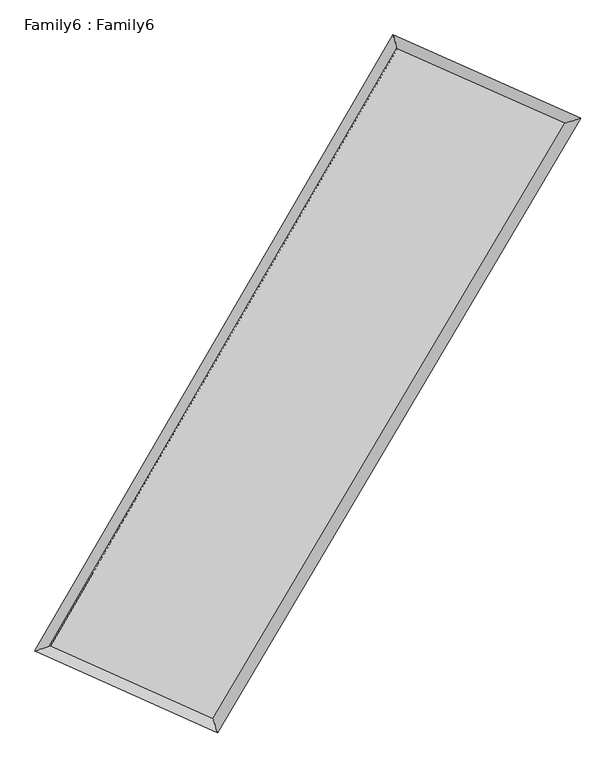
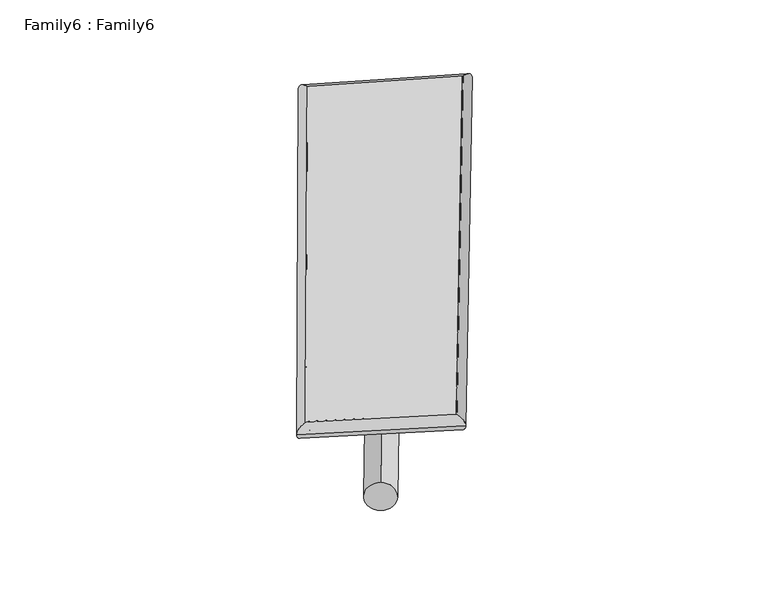
"""IFC4 building model written with IfcOpenShell, lengths in millimetres: plate geometry, Family6 : Family6."""

from ifc_helpers import new_model, si_unit, point, frame, origin, origin_2d, place, context, project, spatial, circle_curve, ellipse_curve, trimmed, segment, composite_curve, outline, extrude, source, transform, mapped, element, save
from ifc_brep_helpers import plane_surface, cylinder_surface, spline_surface, advanced_brep


def family6_family6_9ff4a365(model_context):
    return source(origin(), model_context, "Body", "SolidModel", [
        extrude(outline(composite_curve([segment(trimmed(circle_curve(origin_2d(), 76.2), [point((-75.4341515, -10.7763074))], [point((75.4341515, 10.7763074))], False, "CARTESIAN"), True, "CONTINUOUS"), segment(trimmed(circle_curve(origin_2d(), 76.2), [point((75.4341515, 10.7763074))], [point((-75.4341515, -10.7763074))], False, "CARTESIAN"), True, "CONTINUOUS")], self_intersect=False)), frame((9144.0, 9144.0, 0.0), z_axis=(0.6798410527244304, 0.6837987690654933, 0.26501959636044753), x_axis=(-0.6753554654765511, 0.7246189960133174, -0.13719440902457797)), (0.0, 0.0, 1.0), 5787.4783899),
        extrude(outline(composite_curve([segment(trimmed(circle_curve(origin_2d(), 76.2), [point((-53.8815367, 53.8815367))], [point((53.8815367, -53.8815367))], False, "CARTESIAN"), True, "CONTINUOUS"), segment(trimmed(circle_curve(origin_2d(), 76.2), [point((53.8815367, -53.8815367))], [point((-53.8815367, 53.8815367))], False, "CARTESIAN"), True, "CONTINUOUS")], self_intersect=False)), frame((9144.0, 9144.0, 0.0), z_axis=(-0.6752246107974128, -0.6880278982486887, 0.2658746625855398), x_axis=(0.6374049002393298, -0.3628742928765306, 0.6797332129006556)), (0.0, 0.0, 1.0), 5769.0928595),
        extrude(outline(composite_curve([segment(trimmed(circle_curve(origin_2d(), 76.2), [point((-53.8815367, -53.8815367))], [point((53.8815367, 53.8815367))], False, "CARTESIAN"), True, "CONTINUOUS"), segment(trimmed(circle_curve(origin_2d(), 76.2), [point((53.8815367, 53.8815367))], [point((-53.8815367, -53.8815367))], False, "CARTESIAN"), True, "CONTINUOUS")], self_intersect=False)), frame((9144.0, 9144.0, 0.0), z_axis=(0.25026286194745945, 0.928140135563893, 0.2755438053836545), x_axis=(-0.8446679126763231, 0.3484029878156584, -0.4063883307578425)), (0.0, 0.0, 1.0), 5488.0451058),
        extrude(outline(composite_curve([segment(trimmed(circle_curve(origin_2d(), 76.2), [point((-75.4341514, 10.7763073))], [point((75.4341514, -10.7763073))], False, "CARTESIAN"), True, "CONTINUOUS"), segment(trimmed(circle_curve(origin_2d(), 76.2), [point((75.4341514, -10.7763073))], [point((-75.4341514, 10.7763073))], False, "CARTESIAN"), True, "CONTINUOUS")], self_intersect=False)), frame((9144.0, 9144.0, 0.0), z_axis=(-0.2571561466891146, -0.9262289196872846, 0.2756278370465008), x_axis=(0.8833934719237707, -0.10968083772521993, 0.45561616257367366)), (0.0, 0.0, 1.0), 5484.9366413),
        advanced_brep(
        [(5031.6444596, 5104.7786544, 1532.3860084), (5031.6312192, 5104.757442, 1535.9585772), (5465.488579, 5244.6276758, 1535.3252265), (10580.5307587, 14042.9715605, 1514.2988521), (10454.3769906, 14432.3782964, 1510.0948131), (5465.5018194, 5244.6488881, 1531.7526577), (12860.2004736, 13031.6252865, 1533.5237525), (13296.9303289, 13171.3159115, 1534.0666212), (7671.5659642, 4258.3267389, 1512.1734137), (7795.4636928, 3869.0593814, 1511.4290319)],
        [
            (0, 1, ellipse_curve(frame((5248.5665193, 5174.7031651, 1533.8556174), z_axis=(-0.30682726532809335, 0.9517545131809326, 0.004513966217199974), x_axis=(-0.9517324968580781, -0.30685259277514976, 0.006836719348943507)), 227.9432341, 152.4)),
            (1, 2, ellipse_curve(frame((5248.5665193, 5174.7031651, 1533.8556174), z_axis=(-0.30682726532809335, 0.9517545131809326, 0.004513966217199974), x_axis=(-0.9517324968580781, -0.30685259277514976, 0.006836719348943507)), 227.9432341, 152.4)),
            (2, 3),
            (3, 4, ellipse_curve(frame((10517.4538747, 14237.6749284, 1512.1968326), z_axis=(-0.9513045352494359, -0.30822933847426337, -0.0037889467630264823), x_axis=(0.3081968996972516, -0.9512944170737615, 0.007321411154591183)), 204.6773217, 152.4)),
            (4, 0),
            (2, 5, ellipse_curve(frame((5248.5665193, 5174.7031651, 1533.8556174), z_axis=(-0.30682726532809335, 0.9517545131809326, 0.004513966217199974), x_axis=(-0.9517324968580781, -0.30685259277514976, 0.006836719348943507)), 227.9432341, 152.4)),
            (5, 0, ellipse_curve(frame((5248.5665193, 5174.7031651, 1533.8556174), z_axis=(-0.30682726532809335, 0.9517545131809326, 0.004513966217199974), x_axis=(-0.9517324968580781, -0.30685259277514976, 0.006836719348943507)), 227.9432341, 152.4)),
            (4, 3, ellipse_curve(frame((10517.4538747, 14237.6749284, 1512.1968326), z_axis=(-0.9513045352494359, -0.30822933847426337, -0.0037889467630264823), x_axis=(0.3081968996972516, -0.9512944170737615, 0.007321411154591183)), 204.6773217, 152.4)),
            (3, 6),
            (6, 7, ellipse_curve(frame((13078.5654012, 13101.470599, 1533.7951868), z_axis=(-0.3046437536709905, 0.9524570083434658, -0.00422263030160269), x_axis=(-0.9524365598769942, -0.3046663002039996, -0.006560863486108053)), 229.2675349, 152.4)),
            (7, 4),
            (7, 6, ellipse_curve(frame((13078.5654012, 13101.470599, 1533.7951868), z_axis=(-0.3046437536709905, 0.9524570083434658, -0.00422263030160269), x_axis=(-0.9524365598769942, -0.3046663002039996, -0.006560863486108053)), 229.2675349, 152.4)),
            (6, 8),
            (8, 9, ellipse_curve(frame((7733.5148285, 4063.6930601, 1511.8012228), z_axis=(0.9528875854846723, 0.3032969548519226, -0.00402574300495799), x_axis=(-0.3032611462074457, 0.9528767200376299, 0.007657258731070672)), 204.2576815, 152.4)),
            (9, 7),
            (9, 8, ellipse_curve(frame((7733.5148285, 4063.6930601, 1511.8012228), z_axis=(0.9528875854846723, 0.3032969548519226, -0.00402574300495799), x_axis=(-0.3032611462074457, 0.9528767200376299, 0.007657258731070672)), 204.2576815, 152.4)),
            (8, 5),
            (1, 9),
        ],
        [
            cylinder_surface(frame((5248.5665193, 5174.7031651, 1533.8556174), z_axis=(-0.5025992606396781, -0.8645170413107564, 0.0020660318838329316), x_axis=(-0.8644696524366413, 0.5025431747096334, -0.011940584945281612)), 152.4),
            cylinder_surface(frame((10517.4538747, 14237.6749284, 1512.1968326), z_axis=(-0.9140580414698577, 0.40551014405102215, -0.0077084301908465075), x_axis=(0.4055610823476034, 0.9140420362407496, -0.006882184965885792)), 152.4),
            cylinder_surface(frame((13078.5654012, 13101.470599, 1533.7951868), z_axis=(0.5090490367671546, 0.8607349711792349, 0.0020946492579652512), x_axis=(0.8607373291483073, -0.5090490367671546, -0.0005730419450635141)), 152.4),
            cylinder_surface(frame((7733.5148285, 4063.6930601, 1511.8012228), z_axis=(0.9128810171894837, -0.40814532477501536, -0.008101994778521991), x_axis=(-0.4081186310217155, -0.9129163498978394, 0.00478759878923208)), 152.4),
        ],
        [
            (0, [[1, 2, 3, 4, 5]]),
            (0, [[6, 7, -5, 8, -3]]),
            (1, [[-4, 9, 10, 11]]),
            (1, [[-8, -11, 12, -9]]),
            (2, [[-10, 13, 14, 15]]),
            (2, [[-12, -15, 16, -13]]),
            (3, [[-14, 17, -6, -2, 18]]),
            (3, [[-16, -18, -1, -7, -17]]),
        ],
    ),
        extrude(outline(composite_curve([segment(trimmed(circle_curve(origin_2d(), 304.8), [point((-1e-07, 304.8))], [point((0.0, -304.8))], False, "CARTESIAN"), True, "CONTINUOUS"), segment(trimmed(circle_curve(origin_2d(), 304.8), [point((0.0, -304.8))], [point((-1e-07, 304.8))], False, "CARTESIAN"), True, "CONTINUOUS")], self_intersect=False)), frame((11818.7937354, 13687.4444655, -0.0050332), z_axis=(-0.5073271887623886, -0.8617535166980987, 9.546497936588498e-07), x_axis=(-0.8617535166985882, 0.5073271887623886, -2.6014173827290576e-07)), (0.0, 0.0, 1.0), 10544.6496647),
        advanced_brep(
        [(5248.5665193, 5174.7031651, 1533.8556174), (7733.5148285, 4063.6930601, 1511.8012228), (7733.5097658, 4063.6930663, 1664.2012227), (5248.5614566, 5174.7031712, 1686.2556174), (13078.5654012, 13101.470599, 1533.7951868), (13078.5603385, 13101.4706051, 1686.1951868), (10517.4538747, 14237.6749284, 1512.1968326), (10517.448812, 14237.6749346, 1664.5968325)],
        [
            (0, 1),
            (1, 2),
            (2, 3),
            (3, 0),
            (1, 4),
            (4, 5),
            (5, 2),
            (4, 6),
            (6, 7),
            (7, 5),
            (6, 0),
            (3, 7),
        ],
        [
            plane_surface(frame((6491.0406739, 4619.1981126, 1522.8284201), z_axis=(-0.4081588212186756, -0.9129109356769328, -1.352215636021923e-05), x_axis=(0.9128810171894836, -0.40814532477501536, -0.008101994778521984))),
            plane_surface(frame((10406.0401149, 8582.5818296, 1522.7982048), z_axis=(0.8607368285838538, -0.50905020489207, 2.8613827911902587e-05), x_axis=(0.5090490367671544, 0.8607349711792349, 0.00209464925796526))),
            plane_surface(frame((11798.0096379, 13669.5727637, 1522.9960097), z_axis=(0.4055220975720469, 0.9140852412112785, 1.3434518157711718e-05), x_axis=(-0.9140580414698577, 0.40551014405102237, -0.007708430190846504))),
            plane_surface(frame((7883.010197, 9706.1890468, 1523.026225), z_axis=(-0.86451891589236, 0.5026002817730577, -2.8739207943542875e-05), x_axis=(-0.5025992606396782, -0.8645170413107564, 0.0020660318838329364))),
            spline_surface(1, 1, [[(7733.5097658, 4063.6930663, 1664.2012227), (5248.5614566, 5174.7031712, 1686.2556174)], [(13078.5603385, 13101.4706051, 1686.1951868), (10517.448812, 14237.6749346, 1664.5968325)]], [2, 2], [2, 2], [0.0, 1.0], [0.0, 1.0]),
            spline_surface(1, 1, [[(10517.4538747, 14237.6749284, 1512.1968326), (5248.5665193, 5174.7031651, 1533.8556174)], [(13078.5654012, 13101.470599, 1533.7951868), (7733.5148285, 4063.6930601, 1511.8012228)]], [2, 2], [2, 2], [0.0, 1.0], [0.0, 1.0]),
        ],
        [
            (0, [[1, 2, 3, 4]]),
            (1, [[5, 6, 7, -2]]),
            (2, [[8, 9, 10, -6]]),
            (3, [[11, -4, 12, -9]]),
            (4, [[-3, -7, -10, -12]]),
            (5, [[-11, -8, -5, -1]]),
        ],
    ),
    ])


if __name__ == "__main__":
    model = new_model("IFC4")
    model_context = context("Model", 3, world=origin())
    ifc_project = project(units=[si_unit("LENGTHUNIT", "METRE", prefix="MILLI")], contexts=[model_context])
    site = spatial("IfcSite", under=ifc_project)
    building = spatial("IfcBuilding", under=site)
    placement = place(None, origin())
    family6_family6_shape = family6_family6_9ff4a365(model_context)
    element("IfcPlate", 1, ObjectType="Family6 : Family6", at=placement, inside=building, context=model_context, shape_type="MappedRepresentation", body=[
        mapped(family6_family6_shape, transform((0.0, 0.0, 0.0), x_axis=(1.0, 0.0, 0.0), y_axis=(0.0, 1.0, 0.0), z_axis=(0.0, 0.0, 1.0))),
    ])
    save(model, "model.ifc")
